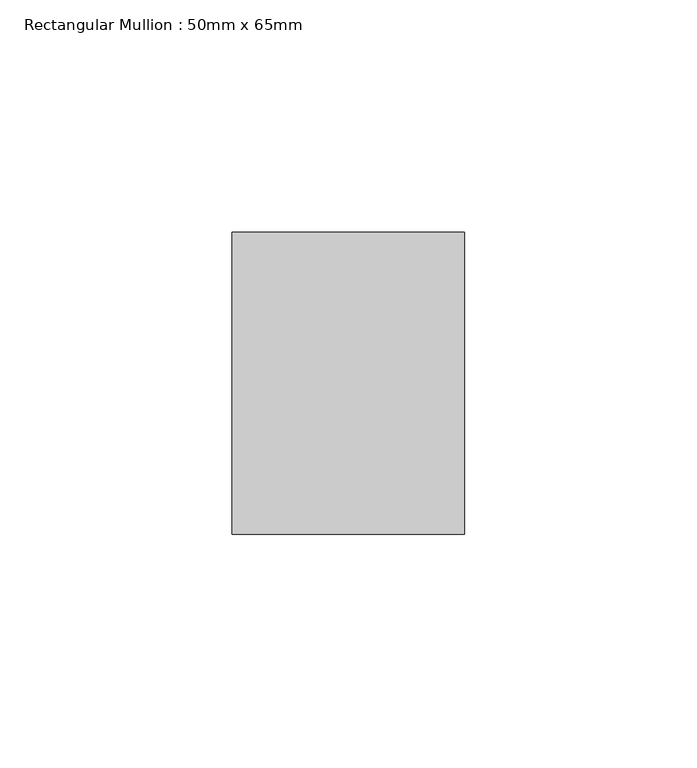
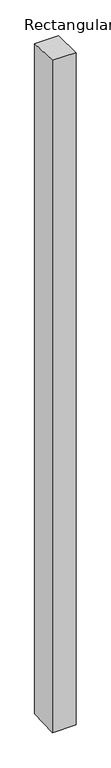
"""IFC4 building model written with IfcOpenShell, lengths in millimetres: member geometry, Rectangular Mullion : 50mm x 65mm."""

from ifc_helpers import new_model, si_unit, origin, place, context, project, spatial, faceted_brep, source, transform, mapped, element, save


def rectangular_mullion_50mm_x_65mm_34223e57(model_context):
    return source(origin(), model_context, "Body", "Brep", [
        faceted_brep([(-25.0, 32.5, -0.8979663), (25.0, 32.5, -0.8979604), (25.0, 32.5, -1498.8581916), (-25.0, 32.5, -1498.8581842), (-25.0, -32.5, 0.8979604), (-25.0, -32.5, -1501.1420846), (25.0, -32.5, 0.8979663), (25.0, -32.5, -1501.142092)], [[[0, 1, 2, 3]], [[4, 0, 3, 5]], [[6, 4, 5, 7]], [[1, 6, 7, 2]], [[1, 0, 4, 6]], [[2, 7, 5, 3]]]),
    ])


if __name__ == "__main__":
    model = new_model("IFC4")
    model_context = context("Model", 3, world=origin())
    ifc_project = project(units=[si_unit("LENGTHUNIT", "METRE", prefix="MILLI")], contexts=[model_context])
    site = spatial("IfcSite", under=ifc_project)
    building = spatial("IfcBuilding", under=site)
    placement = place(None, origin())
    rectangular_mullion_50mm_x_65mm_shape = rectangular_mullion_50mm_x_65mm_34223e57(model_context)
    element("IfcMember", 1, ObjectType="Rectangular Mullion : 50mm x 65mm", at=placement, inside=building, context=model_context, shape_type="MappedRepresentation", body=[
        mapped(rectangular_mullion_50mm_x_65mm_shape, transform((0.0, 0.0, 0.0), x_axis=(1.0, 0.0, 0.0), y_axis=(0.0, 1.0, 0.0), z_axis=(0.0, 0.0, 1.0))),
    ])
    save(model, "model.ifc")
